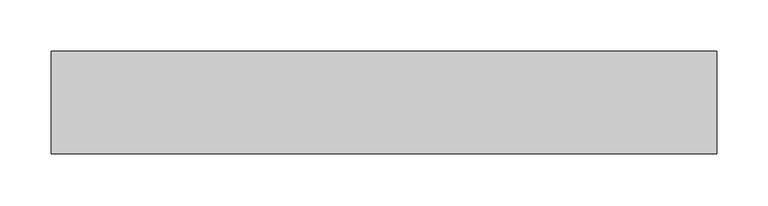
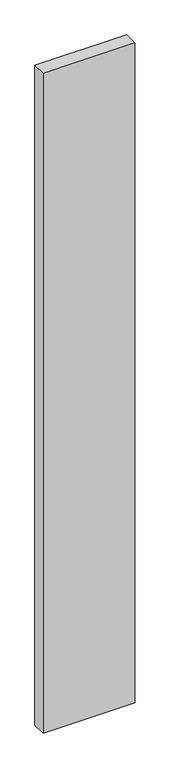
"""IFC4 building model written with IfcOpenShell, lengths in millimetres: proxy geometry."""

from ifc_helpers import new_model, si_unit, frame, origin, place, context, project, spatial, polyline, outline, extrude, source, transform, mapped, element, save


def generic_models_0252cfc5(model_context):
    return source(origin(), model_context, "Body", "SweptSolid", [
        extrude(outline(polyline([(650.0, 100.0), (650.0, 0.0), (0.0, 0.0), (0.0, 100.0), (650.0, 100.0)])), frame((0.0, 0.0, -4950.0), z_axis=(0.0, 0.0, 1.0), x_axis=(1.0, 0.0, 0.0)), (0.0, 0.0, 1.0), 4950.0),
    ])


if __name__ == "__main__":
    model = new_model("IFC4")
    model_context = context("Model", 3, world=origin())
    ifc_project = project(units=[si_unit("LENGTHUNIT", "METRE", prefix="MILLI")], contexts=[model_context])
    site = spatial("IfcSite", under=ifc_project)
    building = spatial("IfcBuilding", under=site)
    placement = place(None, origin())
    generic_models_shape = generic_models_0252cfc5(model_context)
    element("IfcBuildingElementProxy", 1, Name="Generic Models", at=placement, inside=building, context=model_context, shape_type="MappedRepresentation", body=[
        mapped(generic_models_shape, transform((0.0, 0.0, 0.0), x_axis=(1.0, 0.0, 0.0), y_axis=(0.0, 1.0, 0.0), z_axis=(0.0, 0.0, 1.0))),
    ])
    save(model, "model.ifc")
